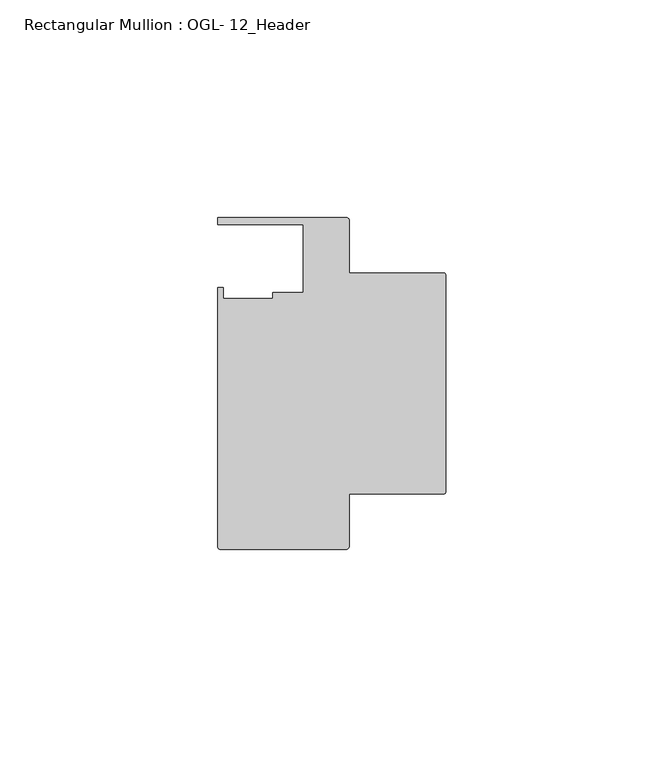
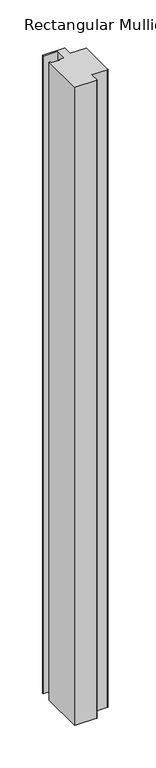
"""IFC4 building model written with IfcOpenShell, lengths in millimetres: member geometry, Rectangular Mullion : OGL- 12_Header."""

import ifcopenshell
import ifcopenshell.guid

model = None  # the IFC model being written
_history = None  # IfcOwnerHistory: only IFC2X3 demands one
_inside = {}  # id of a spatial element -> (the spatial element, [elements in it])
_under = {}  # id of a project, library or spatial element -> (it, [spatial elements below it])
_declared = {}  # id of a project -> (the project, [libraries it declares])
_typed = {}  # id of a type object -> (the type object, [elements of that type])
_made_of = {}  # id of a material, layer set ... -> (it, [elements and type objects made of it])


def new_model(schema):
    """Start an empty IFC model of exactly this schema.

    Asked for "IFC4X3", IfcOpenShell would pick the latest addendum, in which some entities
    have other attributes; the version numbers below select the first issue.
    IFC2X3 requires an IfcOwnerHistory on every rooted entity: one is made here for all.
    """
    global model, _history
    if schema == "IFC4X3":
        model = ifcopenshell.file(schema_version=(4, 3, 0, 0))
    else:
        model = ifcopenshell.file(schema=schema)
    _inside.clear()
    _under.clear()
    _declared.clear()
    _typed.clear()
    _made_of.clear()
    _history = None
    if model.schema == "IFC2X3":
        org = make("IfcOrganization", Name="unknown")
        user = make(
            "IfcPersonAndOrganization",
            ThePerson=make("IfcPerson", FamilyName="unknown"),
            TheOrganization=org,
        )
        app = make(
            "IfcApplication",
            ApplicationDeveloper=org,
            Version="unknown",
            ApplicationFullName="unknown",
            ApplicationIdentifier="unknown",
        )
        _history = make(
            "IfcOwnerHistory",
            OwningUser=user,
            OwningApplication=app,
            ChangeAction="ADDED",
            CreationDate=0,
        )
    return model


def make(cls, **values):
    """One entity of the class cls with the attributes given. An attribute that is None is left unset."""
    return model.create_entity(
        cls, **{name: value for name, value in values.items() if value is not None}
    )


def rooted(cls, **values):
    """An entity with a GlobalId (a new one), such as an element, a storey or a relation."""
    return make(cls, GlobalId=ifcopenshell.guid.new(), OwnerHistory=_history, **values)


def si_unit(unit_type, name, prefix=None):
    """IfcSIUnit, for example si_unit("LENGTHUNIT", "METRE", prefix="MILLI")."""
    return make("IfcSIUnit", UnitType=unit_type, Prefix=prefix, Name=name)


def assignment(units):
    """IfcUnitAssignment: the units of a project."""
    return None if units is None else make("IfcUnitAssignment", Units=units)


def point(xyz):
    """IfcCartesianPoint."""
    return None if xyz is None else make("IfcCartesianPoint", Coordinates=xyz)


def direction(xyz):
    """IfcDirection."""
    return None if xyz is None else make("IfcDirection", DirectionRatios=xyz)


def frame(location, z_axis=None, x_axis=None):
    """IfcAxis2Placement3D, a coordinate frame: its origin and axes. An axis left out is left unset."""
    return make(
        "IfcAxis2Placement3D",
        Location=point(location),
        Axis=direction(z_axis),
        RefDirection=direction(x_axis),
    )


def frame_2d(location, x_axis=None):
    """IfcAxis2Placement2D, a coordinate frame in the plane: its origin and x axis."""
    return make(
        "IfcAxis2Placement2D", Location=point(location), RefDirection=direction(x_axis)
    )


def origin():
    """The frame at (0, 0, 0) with its axes left unset."""
    return frame((0.0, 0.0, 0.0))


def place(relative_to, where):
    """IfcLocalPlacement: puts the frame where relative to a parent placement (None: the world)."""
    return make(
        "IfcLocalPlacement", PlacementRelTo=relative_to, RelativePlacement=where
    )


def context(
    kind, dimensions, precision=None, world=None, true_north=None, identifier=None
):
    """IfcGeometricRepresentationContext, for example the 3D "Model" context."""
    return make(
        "IfcGeometricRepresentationContext",
        ContextIdentifier=identifier,
        ContextType=kind,
        CoordinateSpaceDimension=dimensions,
        Precision=precision,
        WorldCoordinateSystem=world,
        TrueNorth=true_north,
    )


def project(units=None, contexts=None):
    """IfcProject with its units and contexts."""
    return rooted(
        "IfcProject",
        Name="project",
        RepresentationContexts=contexts,
        UnitsInContext=assignment(units),
    )


def spatial(cls, under=None, at=None, **own):
    """A site, building, storey or space (cls), placed at a placement, below another one or the project."""
    s = rooted(cls, ObjectPlacement=at, **own)
    if under is not None:
        _under.setdefault(under.id(), (under, []))[1].append(s)
    return s


def polyline(points):
    """IfcPolyline through the points."""
    return make("IfcPolyline", Points=[point(p) for p in points])


def circle_curve(where, radius):
    """IfcCircle in the frame where."""
    return make("IfcCircle", Position=where, Radius=radius)


def trimmed(basis, trim1, trim2, sense, master):
    """IfcTrimmedCurve: the piece of a basis curve between two trims."""
    return make(
        "IfcTrimmedCurve",
        BasisCurve=basis,
        Trim1=trim1,
        Trim2=trim2,
        SenseAgreement=sense,
        MasterRepresentation=master,
    )


def segment(curve, same_sense, transition):
    """IfcCompositeCurveSegment."""
    return make(
        "IfcCompositeCurveSegment",
        Transition=transition,
        SameSense=same_sense,
        ParentCurve=curve,
    )


def composite_curve(segments, self_intersect=None):
    """IfcCompositeCurve: segments joined end to end."""
    return make("IfcCompositeCurve", Segments=segments, SelfIntersect=self_intersect)


def outline(outer, holes=None, kind="AREA"):
    """IfcArbitraryClosedProfileDef: a profile drawn as a closed curve; with holes, ...WithVoids."""
    if holes is None:
        return make("IfcArbitraryClosedProfileDef", ProfileType=kind, OuterCurve=outer)
    return make(
        "IfcArbitraryProfileDefWithVoids",
        ProfileType=kind,
        OuterCurve=outer,
        InnerCurves=holes,
    )


def extrude(swept, where, along, depth):
    """IfcExtrudedAreaSolid: the profile swept, set in the frame where, extruded along a direction by depth."""
    return make(
        "IfcExtrudedAreaSolid",
        SweptArea=swept,
        Position=where,
        ExtrudedDirection=direction(along),
        Depth=depth,
    )


def shape(context_of_items, identifier, shape_type, items):
    """IfcShapeRepresentation: the items that make up one representation, for example the "Body"."""
    return make(
        "IfcShapeRepresentation",
        ContextOfItems=context_of_items,
        RepresentationIdentifier=identifier,
        RepresentationType=shape_type,
        Items=items,
    )


def source(mapping_origin, context_of_items, identifier, shape_type, items):
    """IfcRepresentationMap: a shape defined once, which mapped items show again and again."""
    return make(
        "IfcRepresentationMap",
        MappingOrigin=mapping_origin,
        MappedRepresentation=shape(context_of_items, identifier, shape_type, items),
    )


def transform(
    local_origin,
    x_axis=None,
    y_axis=None,
    z_axis=None,
    scale=None,
    scale2=None,
    scale3=None,
    uniform=True,
):
    """IfcCartesianTransformationOperator3D, or its non-uniform kind. x_axis, y_axis, z_axis: its Axis1, 2, 3."""
    if uniform:
        return make(
            "IfcCartesianTransformationOperator3D",
            Axis1=direction(x_axis),
            Axis2=direction(y_axis),
            LocalOrigin=point(local_origin),
            Scale=scale,
            Axis3=direction(z_axis),
        )
    return make(
        "IfcCartesianTransformationOperator3DnonUniform",
        Axis1=direction(x_axis),
        Axis2=direction(y_axis),
        LocalOrigin=point(local_origin),
        Scale=scale,
        Axis3=direction(z_axis),
        Scale2=scale2,
        Scale3=scale3,
    )


def mapped(mapping_source, mapping_target):
    """IfcMappedItem: shows the shape of a source again, moved by a transform."""
    return make(
        "IfcMappedItem", MappingSource=mapping_source, MappingTarget=mapping_target
    )


def made_of(thing, what):
    """Note that an element or type object is made of a material, layer set ...; save() writes the relation."""
    if what is not None:
        _made_of.setdefault(what.id(), (what, []))[1].append(thing)
    return thing


def element(
    cls,
    number,
    at=None,
    inside=None,
    cuts=None,
    type_object=None,
    material=None,
    context=None,
    identifier="Body",
    shape_type=None,
    held_by="IfcProductDefinitionShape",
    body=None,
    shapes=None,
    **own,
):
    """One element of the class cls, such as IfcWall. Its Tag is "e" and its number.

    at: its placement. inside: the storey or other place that contains it. cuts: it is an
    opening in that element (IfcRelVoidsElement). A single representation is given by context,
    identifier, shape_type and body (its items); several are given by shapes. held_by: the class
    of the entity that holds the representations. save() writes the other relations.
    """
    e = rooted(cls, Tag="e%d" % number, ObjectPlacement=at, **own)
    if body is not None:
        shapes = [shape(context, identifier, shape_type, body)]
    if shapes is not None:
        e.Representation = make(held_by, Representations=shapes)
    if inside is not None:
        _inside.setdefault(inside.id(), (inside, []))[1].append(e)
    if cuts is not None:
        rooted(
            "IfcRelVoidsElement", RelatingBuildingElement=cuts, RelatedOpeningElement=e
        )
    if type_object is not None:
        _typed.setdefault(type_object.id(), (type_object, []))[1].append(e)
    return made_of(e, material)


def aggregate(whole, parts):
    """IfcRelAggregates: a whole, such as a stair, and the parts it consists of."""
    return rooted("IfcRelAggregates", RelatingObject=whole, RelatedObjects=parts)


def save(model, path):
    """Write the relations noted so far, then the file.

    IfcRelAggregates (storeys below a building ...), IfcRelContainedInSpatialStructure (elements
    in a storey), IfcRelDefinesByType, IfcRelAssociatesMaterial and IfcRelDeclares: one each for
    every whole, place, type object, material and project.
    """
    for whole, parts in _under.values():
        aggregate(whole, parts)
    for where, things in _inside.values():
        rooted(
            "IfcRelContainedInSpatialStructure",
            RelatedElements=things,
            RelatingStructure=where,
        )
    for kind, things in _typed.values():
        rooted("IfcRelDefinesByType", RelatedObjects=things, RelatingType=kind)
    for what, things in _made_of.values():
        rooted("IfcRelAssociatesMaterial", RelatedObjects=things, RelatingMaterial=what)
    for by, libraries in _declared.values():
        rooted("IfcRelDeclares", RelatingContext=by, RelatedDefinitions=libraries)
    model.write(path)


def rectangular_mullion_ogl_12_header_e24a4c49(model_context):
    return source(origin(), model_context, "Body", "SweptSolid", [
        extrude(outline(composite_curve([segment(polyline([(-0.5953125, -25.4), (-22.2332898, -25.4), (-22.2332898, -37.5043667)]), True, "CONTINUOUS"), segment(trimmed(circle_curve(frame_2d((-22.8286023, -37.5043667)), 0.5953125), [point((-22.2332898, -37.5043667))], [point((-22.8286023, -38.0996792))], False, "CARTESIAN"), True, "CONTINUOUS"), segment(polyline([(-22.8286023, -38.0996792), (-51.7968699, -38.0996792)]), True, "CONTINUOUS"), segment(trimmed(circle_curve(frame_2d((-51.7968699, -37.5043667)), 0.5953125), [point((-51.7968699, -38.0996792))], [point((-52.3921824, -37.5043667))], False, "CARTESIAN"), True, "CONTINUOUS"), segment(polyline([(-52.3921824, -37.5043667), (-52.3921824, 21.9710976), (-51.1362531, 21.9710976), (-51.1362531, 19.4824275), (-39.7567771, 19.4824275), (-39.7567771, 20.8257348), (-32.730302, 20.8257348), (-32.730302, 36.512516), (-52.3830881, 36.512516), (-52.3830881, 38.100016), (-22.8763468, 38.100016)]), True, "CONTINUOUS"), segment(trimmed(circle_curve(frame_2d((-22.8763468, 37.456959)), 0.643057), [point((-22.8763468, 38.100016))], [point((-22.2332898, 37.456959))], False, "CARTESIAN"), True, "CONTINUOUS"), segment(polyline([(-22.2332898, 37.456959), (-22.2332898, 25.4), (-0.5953125, 25.4)]), True, "CONTINUOUS"), segment(trimmed(circle_curve(frame_2d((-0.5953125, 24.8046875)), 0.5953125), [point((-0.5953125, 25.4))], [point((0.0, 24.8046875))], False, "CARTESIAN"), True, "CONTINUOUS"), segment(polyline([(0.0, 24.8046875), (0.0, -24.8046875)]), True, "CONTINUOUS"), segment(trimmed(circle_curve(frame_2d((-0.5953125, -24.8046875)), 0.5953125), [point((0.0, -24.8046875))], [point((-0.5953125, -25.4))], False, "CARTESIAN"), True, "CONTINUOUS")], self_intersect=False)), frame((0.0, 0.0, -914.4), z_axis=(0.0, 0.0, 1.0), x_axis=(1.0, 0.0, 0.0)), (0.0, 0.0, 1.0), 914.4),
    ])


if __name__ == "__main__":
    model = new_model("IFC4")
    model_context = context("Model", 3, world=origin())
    ifc_project = project(units=[si_unit("LENGTHUNIT", "METRE", prefix="MILLI")], contexts=[model_context])
    site = spatial("IfcSite", under=ifc_project)
    building = spatial("IfcBuilding", under=site)
    placement = place(None, origin())
    rectangular_mullion_ogl_12_header_shape = rectangular_mullion_ogl_12_header_e24a4c49(model_context)
    element("IfcMember", 1, ObjectType="Rectangular Mullion : OGL- 12_Header", at=placement, inside=building, context=model_context, shape_type="MappedRepresentation", body=[
        mapped(rectangular_mullion_ogl_12_header_shape, transform((0.0, 0.0, 0.0), x_axis=(1.0, 0.0, 0.0), y_axis=(0.0, 1.0, 0.0), z_axis=(0.0, 0.0, 1.0))),
    ])
    save(model, "model.ifc")
